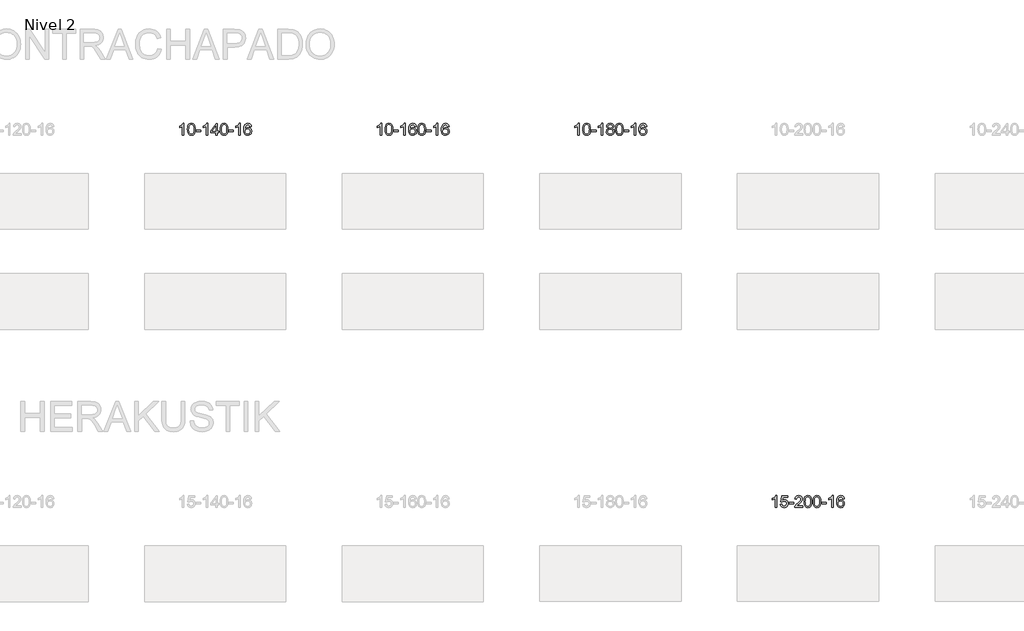
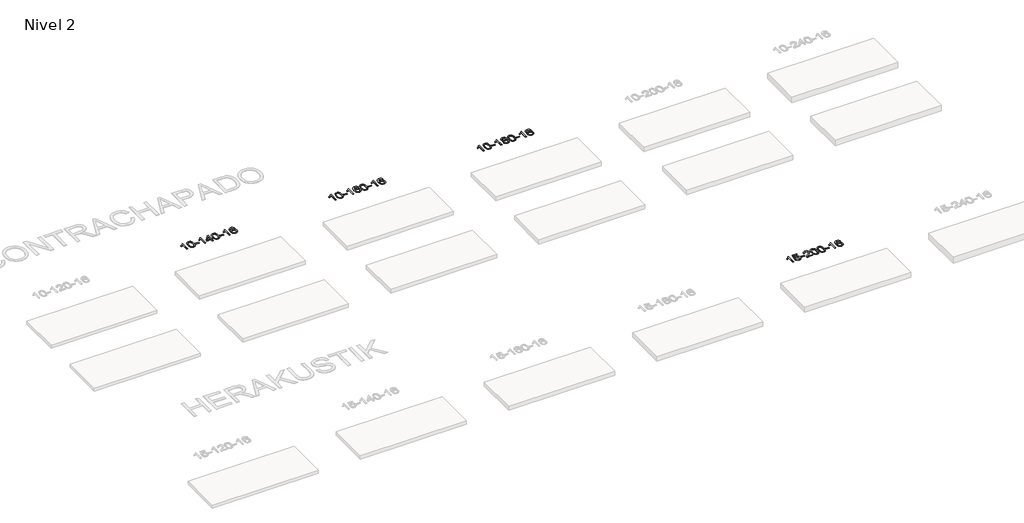
# One storey, part 37 of 51: 4 proxies.
"""IFC4 building model written with IfcOpenShell, lengths in millimetres."""

from ifc_helpers import new_model, si_unit, frame, origin, place, context, project, spatial, polyline, outline, extrude, element, save

model = new_model("IFC4")

# Units and contexts
model_context = context("Model", 3, world=origin())
ifc_project = project(units=[si_unit("LENGTHUNIT", "METRE", prefix="MILLI")], contexts=[model_context])

# Site, building, storey
site = spatial("IfcSite", under=ifc_project)
building = spatial("IfcBuilding", under=site)
storey = spatial("IfcBuildingStorey", under=building, Name="Nivel 2", Elevation=3000.0)

# Proxies
placement = place(None, origin())
element("IfcBuildingElementProxy", 1, Name="Texto de modelo 1", ObjectType="Texto de modelo 1", at=placement, inside=storey, context=model_context, shape_type="SweptSolid", body=[
    extrude(outline(polyline([(31530.5538842, -64430.3053468), (31480.3257291, -64430.3053468), (31480.3257291, -64117.1641925), (31459.3564554, -64134.1235525), (31432.7463244, -64151.058387), (31379.869419, -64176.4177192), (31379.869419, -64128.9364164), (31419.3186316, -64107.4766333), (31453.494869, -64081.9456229), (31480.4360937, -64054.7959316), (31498.1802686, -64028.4801062), (31530.5538842, -64028.4801062), (31530.5538842, -64430.3053468)])), frame((0.0, 0.0, 3000.0), z_axis=(0.0, 0.0, 1.0), x_axis=(1.0, 0.0, 0.0)), (0.0, 0.0, 1.0), 10.0),
    extrude(outline(polyline([(31649.8457525, -64232.6300881), (31653.5368352, -64168.3120526), (31664.6100833, -64117.0170397), (31682.9551321, -64077.9602346), (31694.8131951, -64062.7268543), (31708.4616171, -64050.3568222), (31723.9463834, -64040.785759), (31741.3134792, -64033.9492852), (31781.6946596, -64028.4801062), (31812.6457981, -64031.7174678), (31840.3595751, -64041.4295525), (31863.5361408, -64057.2362155), (31880.8756455, -64078.7573122), (31893.9722445, -64105.8089016), (31904.4200932, -64138.2070427), (31911.2626983, -64179.3485125), (31913.5435667, -64232.6300881), (31909.8892722, -64296.5802416), (31898.9263887, -64347.7526271), (31880.6917045, -64386.8462205), (31868.8612327, -64402.125586), (31855.2220077, -64414.5599974), (31839.7188473, -64424.19544), (31822.2965691, -64431.077899), (31781.6946596, -64436.5838662), (31754.0299335, -64434.1926333), (31729.5044672, -64427.0189343), (31708.1182606, -64415.0627695), (31689.8713136, -64398.3241387), (31672.3601306, -64368.0658446), (31659.8521428, -64330.3640715), (31652.3473501, -64285.2188193), (31649.8457525, -64232.6300881)]), holes=[polyline([(31700.0739076, -64232.5319862), (31701.5454356, -64276.1965134), (31705.9600195, -64311.5407761), (31713.3176594, -64338.5647743), (31723.6183553, -64357.2685081), (31736.0772922, -64369.9941594), (31749.9096552, -64379.0839104), (31765.1154443, -64384.537761), (31781.6946596, -64386.3557111), (31798.2738748, -64384.5316296), (31813.479664, -64379.0593849), (31827.312027, -64369.9389771), (31839.7709639, -64357.1704062), (31850.0716598, -64338.4360156), (31857.4292997, -64311.4181487), (31861.8438836, -64276.1168056), (31863.3154116, -64232.5319862), (31861.8929345, -64190.0232217), (31857.6255034, -64155.3012927), (31850.5131181, -64128.3661993), (31840.5557788, -64109.2179414), (31828.3053084, -64095.8699564), (31814.3135298, -64086.3356813), (31798.5804432, -64080.6151163), (31781.1060484, -64078.7082613), (31764.6126723, -64080.3882558), (31749.6644005, -64085.4282391), (31736.2612332, -64093.8282113), (31724.4031702, -64105.5881724), (31713.7591178, -64126.4348188), (31706.1562232, -64154.5410033), (31701.5944865, -64189.9067257), (31700.0739076, -64232.5319862)])]), frame((0.0, 0.0, 3000.0), z_axis=(0.0, 0.0, 1.0), x_axis=(1.0, 0.0, 0.0)), (0.0, 0.0, 1.0), 10.0),
    extrude(outline(polyline([(31944.9361636, -64311.0134785), (31944.9361636, -64260.7853235), (32101.8991482, -64260.7853235), (32101.8991482, -64311.0134785), (31944.9361636, -64311.0134785)])), frame((0.0, 0.0, 3000.0), z_axis=(0.0, 0.0, 1.0), x_axis=(1.0, 0.0, 0.0)), (0.0, 0.0, 1.0), 10.0),
    extrude(outline(polyline([(32334.2043654, -64430.3053468), (32283.9762103, -64430.3053468), (32283.9762103, -64117.1641925), (32263.0069366, -64134.1235525), (32236.3968056, -64151.058387), (32183.5199002, -64176.4177192), (32183.5199002, -64128.9364164), (32222.9691128, -64107.4766333), (32257.1453502, -64081.9456229), (32284.0865749, -64054.7959316), (32301.8307498, -64028.4801062), (32334.2043654, -64028.4801062), (32334.2043654, -64430.3053468)])), frame((0.0, 0.0, 3000.0), z_axis=(0.0, 0.0, 1.0), x_axis=(1.0, 0.0, 0.0)), (0.0, 0.0, 1.0), 10.0),
    extrude(outline(polyline([(32616.7377377, -64430.3053468), (32616.7377377, -64336.1275561), (32434.6606756, -64336.1275561), (32434.6606756, -64285.899401), (32629.2947765, -64034.7586256), (32666.9658928, -64034.7586256), (32666.9658928, -64285.899401), (32717.1940479, -64285.899401), (32717.1940479, -64336.1275561), (32666.9658928, -64336.1275561), (32666.9658928, -64430.3053468), (32616.7377377, -64430.3053468)]), holes=[polyline([(32616.7377377, -64285.899401), (32616.7377377, -64130.70225), (32496.4648507, -64285.899401), (32616.7377377, -64285.899401)])]), frame((0.0, 0.0, 3000.0), z_axis=(0.0, 0.0, 1.0), x_axis=(1.0, 0.0, 0.0)), (0.0, 0.0, 1.0), 10.0),
    extrude(outline(polyline([(32761.1436835, -64232.6300881), (32764.8347662, -64168.3120526), (32775.9080143, -64117.0170397), (32794.2530631, -64077.9602346), (32806.1111261, -64062.7268543), (32819.7595481, -64050.3568222), (32835.2443144, -64040.785759), (32852.6114103, -64033.9492852), (32892.9925906, -64028.4801062), (32923.9437291, -64031.7174678), (32951.6575061, -64041.4295525), (32974.8340718, -64057.2362155), (32992.1735765, -64078.7573122), (33005.2701755, -64105.8089016), (33015.7180242, -64138.2070427), (33022.5606293, -64179.3485125), (33024.8414977, -64232.6300881), (33021.1872032, -64296.5802416), (33010.2243197, -64347.7526271), (32991.9896355, -64386.8462205), (32980.1591637, -64402.125586), (32966.5199387, -64414.5599974), (32951.0167783, -64424.19544), (32933.5945001, -64431.077899), (32892.9925906, -64436.5838662), (32865.3278646, -64434.1926333), (32840.8023982, -64427.0189343), (32819.4161916, -64415.0627695), (32801.1692446, -64398.3241387), (32783.6580616, -64368.0658446), (32771.1500738, -64330.3640715), (32763.6452811, -64285.2188193), (32761.1436835, -64232.6300881)]), holes=[polyline([(32811.3718386, -64232.5319862), (32812.8433666, -64276.1965134), (32817.2579505, -64311.5407761), (32824.6155904, -64338.5647743), (32834.9162863, -64357.2685081), (32847.3752232, -64369.9941594), (32861.2075862, -64379.0839104), (32876.4133754, -64384.537761), (32892.9925906, -64386.3557111), (32909.5718059, -64384.5316296), (32924.777595, -64379.0593849), (32938.609958, -64369.9389771), (32951.0688949, -64357.1704062), (32961.3695908, -64338.4360156), (32968.7272307, -64311.4181487), (32973.1418146, -64276.1168056), (32974.6133426, -64232.5319862), (32973.1908656, -64190.0232217), (32968.9234344, -64155.3012927), (32961.8110492, -64128.3661993), (32951.8537098, -64109.2179414), (32939.6032394, -64095.8699564), (32925.6114609, -64086.3356813), (32909.8783742, -64080.6151163), (32892.4039794, -64078.7082613), (32875.9106033, -64080.3882558), (32860.9623316, -64085.4282391), (32847.5591642, -64093.8282113), (32835.7011012, -64105.5881724), (32825.0570488, -64126.4348188), (32817.4541543, -64154.5410033), (32812.8924175, -64189.9067257), (32811.3718386, -64232.5319862)])]), frame((0.0, 0.0, 3000.0), z_axis=(0.0, 0.0, 1.0), x_axis=(1.0, 0.0, 0.0)), (0.0, 0.0, 1.0), 10.0),
    extrude(outline(polyline([(33056.2340946, -64311.0134785), (33056.2340946, -64260.7853235), (33213.1970792, -64260.7853235), (33213.1970792, -64311.0134785), (33056.2340946, -64311.0134785)])), frame((0.0, 0.0, 3000.0), z_axis=(0.0, 0.0, 1.0), x_axis=(1.0, 0.0, 0.0)), (0.0, 0.0, 1.0), 10.0),
    extrude(outline(polyline([(33445.5022964, -64430.3053468), (33395.2741414, -64430.3053468), (33395.2741414, -64117.1641925), (33374.3048676, -64134.1235525), (33347.6947367, -64151.058387), (33294.8178312, -64176.4177192), (33294.8178312, -64128.9364164), (33334.2670438, -64107.4766333), (33368.4432812, -64081.9456229), (33395.384506, -64054.7959316), (33413.1286809, -64028.4801062), (33445.5022964, -64028.4801062), (33445.5022964, -64430.3053468)])), frame((0.0, 0.0, 3000.0), z_axis=(0.0, 0.0, 1.0), x_axis=(1.0, 0.0, 0.0)), (0.0, 0.0, 1.0), 10.0),
    extrude(outline(polyline([(33822.2134595, -64135.2149358), (33771.9853044, -64141.4934552), (33763.8919005, -64116.6001068), (33752.9535425, -64099.6039586), (33730.1693843, -64083.9321856), (33702.6272856, -64078.7082613), (33679.2790416, -64081.7494191), (33657.3042238, -64090.8728926), (33638.4318774, -64110.0885955), (33623.0176218, -64136.539311), (33612.6065614, -64173.9529099), (33608.7438004, -64226.0572631), (33628.891471, -64202.5496036), (33653.0367927, -64185.9826511), (33679.8308646, -64176.1602018), (33707.9247863, -64172.8860521), (33732.0578452, -64175.1240009), (33754.3269687, -64181.8378473), (33774.7321567, -64193.0275913), (33793.2734092, -64208.6932329), (33808.6815334, -64227.9028045), (33819.6873365, -64249.7243381), (33826.2908183, -64274.157834), (33828.4919789, -64301.203292), (33824.3471751, -64337.1698884), (33811.9127636, -64370.5122599), (33792.2188142, -64398.7901226), (33766.2953962, -64419.5631926), (33735.3197322, -64432.3286978), (33700.4690446, -64436.5838662), (33670.5265158, -64433.7634376), (33643.4841235, -64425.3021517), (33619.3418676, -64411.2000086), (33598.099748, -64391.4570081), (33580.7817031, -64365.2392846), (33568.411671, -64331.7129721), (33560.9896518, -64290.8780707), (33558.5156454, -64242.7345802), (33561.2624976, -64188.7601602), (33569.5030543, -64142.695203), (33583.2373154, -64104.5397087), (33602.465281, -64074.2936774), (33623.3057961, -64054.25024), (33647.4695118, -64039.933499), (33674.9564282, -64031.3434544), (33705.7665453, -64028.4801062), (33728.9001914, -64030.2520712), (33749.8388083, -64035.567966), (33768.582396, -64044.4277907), (33785.1309544, -64056.8315453), (33799.0368938, -64072.3622969), (33809.8526245, -64090.6031125), (33817.5781464, -64111.5539921), (33822.2134595, -64135.2149358)]), holes=[polyline([(33608.7438004, -64300.4184771), (33611.6500682, -64322.6753378), (33620.3688715, -64343.9266544), (33633.9069289, -64362.1981268), (33651.2709591, -64375.515455), (33672.2279701, -64383.6456471), (33696.5449699, -64386.3557111), (33729.6911377, -64380.7393794), (33743.6062742, -64373.7189646), (33755.7494457, -64363.890384), (33765.5994861, -64351.6521763), (33772.6352293, -64337.4028803), (33778.2638238, -64302.8710237), (33772.7088057, -64269.7248559), (33765.765033, -64256.1040251), (33756.0437513, -64244.4513629), (33743.8637916, -64235.1163572), (33729.5439849, -64228.4484961), (33694.4848308, -64223.1142072), (33661.3877139, -64228.4484961), (33633.7107252, -64244.4513629), (33622.7876956, -64255.9507409), (33614.9855316, -64269.1117193), (33610.3042332, -64283.934298), (33608.7438004, -64300.4184771)])]), frame((0.0, 0.0, 3000.0), z_axis=(0.0, 0.0, 1.0), x_axis=(1.0, 0.0, 0.0)), (0.0, 0.0, 1.0), 10.0),
])
element("IfcBuildingElementProxy", 2, Name="Texto de modelo 1", ObjectType="Texto de modelo 1", at=placement, inside=storey, context=model_context, shape_type="SweptSolid", body=[
    extrude(outline(polyline([(38245.494419, -64430.3053468), (38195.266264, -64430.3053468), (38195.266264, -64117.1641925), (38174.2969902, -64134.1235525), (38147.6868593, -64151.058387), (38094.8099538, -64176.4177192), (38094.8099538, -64128.9364164), (38134.2591664, -64107.4766333), (38168.4354038, -64081.9456229), (38195.3766286, -64054.7959316), (38213.1208035, -64028.4801062), (38245.494419, -64028.4801062), (38245.494419, -64430.3053468)])), frame((0.0, 0.0, 3000.0), z_axis=(0.0, 0.0, 1.0), x_axis=(1.0, 0.0, 0.0)), (0.0, 0.0, 1.0), 10.0),
    extrude(outline(polyline([(38364.7862873, -64232.6300881), (38368.47737, -64168.3120526), (38379.5506181, -64117.0170397), (38397.8956669, -64077.9602346), (38409.7537299, -64062.7268543), (38423.4021519, -64050.3568222), (38438.8869182, -64040.785759), (38456.2540141, -64033.9492852), (38496.6351944, -64028.4801062), (38527.5863329, -64031.7174678), (38555.3001099, -64041.4295525), (38578.4766756, -64057.2362155), (38595.8161803, -64078.7573122), (38608.9127793, -64105.8089016), (38619.360628, -64138.2070427), (38626.2032331, -64179.3485125), (38628.4841015, -64232.6300881), (38624.829807, -64296.5802416), (38613.8669235, -64347.7526271), (38595.6322393, -64386.8462205), (38583.8017675, -64402.125586), (38570.1625425, -64414.5599974), (38554.6593821, -64424.19544), (38537.2371039, -64431.077899), (38496.6351944, -64436.5838662), (38468.9704684, -64434.1926333), (38444.445002, -64427.0189343), (38423.0587954, -64415.0627695), (38404.8118484, -64398.3241387), (38387.3006654, -64368.0658446), (38374.7926776, -64330.3640715), (38367.2878849, -64285.2188193), (38364.7862873, -64232.6300881)]), holes=[polyline([(38415.0144424, -64232.5319862), (38416.4859704, -64276.1965134), (38420.9005543, -64311.5407761), (38428.2581942, -64338.5647743), (38438.5588901, -64357.2685081), (38451.017827, -64369.9941594), (38464.85019, -64379.0839104), (38480.0559792, -64384.537761), (38496.6351944, -64386.3557111), (38513.2144097, -64384.5316296), (38528.4201988, -64379.0593849), (38542.2525618, -64369.9389771), (38554.7114987, -64357.1704062), (38565.0121946, -64338.4360156), (38572.3698345, -64311.4181487), (38576.7844184, -64276.1168056), (38578.2559464, -64232.5319862), (38576.8334694, -64190.0232217), (38572.5660382, -64155.3012927), (38565.453653, -64128.3661993), (38555.4963136, -64109.2179414), (38543.2458432, -64095.8699564), (38529.2540646, -64086.3356813), (38513.520978, -64080.6151163), (38496.0465832, -64078.7082613), (38479.5532071, -64080.3882558), (38464.6049354, -64085.4282391), (38451.201768, -64093.8282113), (38439.343705, -64105.5881724), (38428.6996526, -64126.4348188), (38421.0967581, -64154.5410033), (38416.5350213, -64189.9067257), (38415.0144424, -64232.5319862)])]), frame((0.0, 0.0, 3000.0), z_axis=(0.0, 0.0, 1.0), x_axis=(1.0, 0.0, 0.0)), (0.0, 0.0, 1.0), 10.0),
    extrude(outline(polyline([(38659.8766984, -64311.0134785), (38659.8766984, -64260.7853235), (38816.839683, -64260.7853235), (38816.839683, -64311.0134785), (38659.8766984, -64311.0134785)])), frame((0.0, 0.0, 3000.0), z_axis=(0.0, 0.0, 1.0), x_axis=(1.0, 0.0, 0.0)), (0.0, 0.0, 1.0), 10.0),
    extrude(outline(polyline([(39049.1449002, -64430.3053468), (38998.9167452, -64430.3053468), (38998.9167452, -64117.1641925), (38977.9474714, -64134.1235525), (38951.3373404, -64151.058387), (38898.460435, -64176.4177192), (38898.460435, -64128.9364164), (38937.9096476, -64107.4766333), (38972.085885, -64081.9456229), (38999.0271098, -64054.7959316), (39016.7712847, -64028.4801062), (39049.1449002, -64028.4801062), (39049.1449002, -64430.3053468)])), frame((0.0, 0.0, 3000.0), z_axis=(0.0, 0.0, 1.0), x_axis=(1.0, 0.0, 0.0)), (0.0, 0.0, 1.0), 10.0),
    extrude(outline(polyline([(39425.8560633, -64135.2149358), (39375.6279082, -64141.4934552), (39367.5345043, -64116.6001068), (39356.5961463, -64099.6039586), (39333.8119881, -64083.9321856), (39306.2698894, -64078.7082613), (39282.9216454, -64081.7494191), (39260.9468276, -64090.8728926), (39242.0744812, -64110.0885955), (39226.6602256, -64136.539311), (39216.2491652, -64173.9529099), (39212.3864042, -64226.0572631), (39232.5340748, -64202.5496036), (39256.6793964, -64185.9826511), (39283.4734684, -64176.1602018), (39311.5673901, -64172.8860521), (39335.700449, -64175.1240009), (39357.9695725, -64181.8378473), (39378.3747604, -64193.0275913), (39396.916013, -64208.6932329), (39412.3241372, -64227.9028045), (39423.3299403, -64249.7243381), (39429.9334221, -64274.157834), (39432.1345827, -64301.203292), (39427.9897789, -64337.1698884), (39415.5553674, -64370.5122599), (39395.861418, -64398.7901226), (39369.938, -64419.5631926), (39338.962336, -64432.3286978), (39304.1116484, -64436.5838662), (39274.1691196, -64433.7634376), (39247.1267273, -64425.3021517), (39222.9844714, -64411.2000086), (39201.7423518, -64391.4570081), (39184.4243069, -64365.2392846), (39172.0542748, -64331.7129721), (39164.6322556, -64290.8780707), (39162.1582492, -64242.7345802), (39164.9051014, -64188.7601602), (39173.1456581, -64142.695203), (39186.8799192, -64104.5397087), (39206.1078848, -64074.2936774), (39226.9483999, -64054.25024), (39251.1121156, -64039.933499), (39278.599032, -64031.3434544), (39309.4091491, -64028.4801062), (39332.5427952, -64030.2520712), (39353.4814121, -64035.567966), (39372.2249998, -64044.4277907), (39388.7735582, -64056.8315453), (39402.6794976, -64072.3622969), (39413.4952283, -64090.6031125), (39421.2207502, -64111.5539921), (39425.8560633, -64135.2149358)]), holes=[polyline([(39212.3864042, -64300.4184771), (39215.292672, -64322.6753378), (39224.0114753, -64343.9266544), (39237.5495327, -64362.1981268), (39254.9135629, -64375.515455), (39275.8705739, -64383.6456471), (39300.1875737, -64386.3557111), (39333.3337415, -64380.7393794), (39347.248878, -64373.7189646), (39359.3920495, -64363.890384), (39369.2420899, -64351.6521763), (39376.2778331, -64337.4028803), (39381.9064276, -64302.8710237), (39376.3514095, -64269.7248559), (39369.4076368, -64256.1040251), (39359.6863551, -64244.4513629), (39347.5063954, -64235.1163572), (39333.1865887, -64228.4484961), (39298.1274346, -64223.1142072), (39265.0303177, -64228.4484961), (39237.353329, -64244.4513629), (39226.4302994, -64255.9507409), (39218.6281354, -64269.1117193), (39213.946837, -64283.934298), (39212.3864042, -64300.4184771)])]), frame((0.0, 0.0, 3000.0), z_axis=(0.0, 0.0, 1.0), x_axis=(1.0, 0.0, 0.0)), (0.0, 0.0, 1.0), 10.0),
    extrude(outline(polyline([(39476.0842184, -64232.6300881), (39479.7753011, -64168.3120526), (39490.8485491, -64117.0170397), (39509.1935979, -64077.9602346), (39521.0516609, -64062.7268543), (39534.7000829, -64050.3568222), (39550.1848492, -64040.785759), (39567.5519451, -64033.9492852), (39607.9331254, -64028.4801062), (39638.884264, -64031.7174678), (39666.5980409, -64041.4295525), (39689.7746066, -64057.2362155), (39707.1141113, -64078.7573122), (39720.2107104, -64105.8089016), (39730.658559, -64138.2070427), (39737.5011641, -64179.3485125), (39739.7820325, -64232.6300881), (39736.127738, -64296.5802416), (39725.1648546, -64347.7526271), (39706.9301703, -64386.8462205), (39695.0996985, -64402.125586), (39681.4604735, -64414.5599974), (39665.9573131, -64424.19544), (39648.535035, -64431.077899), (39607.9331254, -64436.5838662), (39580.2683994, -64434.1926333), (39555.7429331, -64427.0189343), (39534.3567264, -64415.0627695), (39516.1097794, -64398.3241387), (39498.5985965, -64368.0658446), (39486.0906086, -64330.3640715), (39478.5858159, -64285.2188193), (39476.0842184, -64232.6300881)]), holes=[polyline([(39526.3123734, -64232.5319862), (39527.7839014, -64276.1965134), (39532.1984854, -64311.5407761), (39539.5561253, -64338.5647743), (39549.8568211, -64357.2685081), (39562.315758, -64369.9941594), (39576.1481211, -64379.0839104), (39591.3539102, -64384.537761), (39607.9331254, -64386.3557111), (39624.5123407, -64384.5316296), (39639.7181298, -64379.0593849), (39653.5504928, -64369.9389771), (39666.0094297, -64357.1704062), (39676.3101256, -64338.4360156), (39683.6677655, -64311.4181487), (39688.0823495, -64276.1168056), (39689.5538774, -64232.5319862), (39688.1314004, -64190.0232217), (39683.8639692, -64155.3012927), (39676.751584, -64128.3661993), (39666.7942447, -64109.2179414), (39654.5437742, -64095.8699564), (39640.5519957, -64086.3356813), (39624.818909, -64080.6151163), (39607.3445142, -64078.7082613), (39590.8511381, -64080.3882558), (39575.9028664, -64085.4282391), (39562.499699, -64093.8282113), (39550.6416361, -64105.5881724), (39539.9975837, -64126.4348188), (39532.3946891, -64154.5410033), (39527.8329524, -64189.9067257), (39526.3123734, -64232.5319862)])]), frame((0.0, 0.0, 3000.0), z_axis=(0.0, 0.0, 1.0), x_axis=(1.0, 0.0, 0.0)), (0.0, 0.0, 1.0), 10.0),
    extrude(outline(polyline([(39771.1746294, -64311.0134785), (39771.1746294, -64260.7853235), (39928.137614, -64260.7853235), (39928.137614, -64311.0134785), (39771.1746294, -64311.0134785)])), frame((0.0, 0.0, 3000.0), z_axis=(0.0, 0.0, 1.0), x_axis=(1.0, 0.0, 0.0)), (0.0, 0.0, 1.0), 10.0),
    extrude(outline(polyline([(40160.4428313, -64430.3053468), (40110.2146762, -64430.3053468), (40110.2146762, -64117.1641925), (40089.2454025, -64134.1235525), (40062.6352715, -64151.058387), (40009.758366, -64176.4177192), (40009.758366, -64128.9364164), (40049.2075787, -64107.4766333), (40083.383816, -64081.9456229), (40110.3250408, -64054.7959316), (40128.0692157, -64028.4801062), (40160.4428313, -64028.4801062), (40160.4428313, -64430.3053468)])), frame((0.0, 0.0, 3000.0), z_axis=(0.0, 0.0, 1.0), x_axis=(1.0, 0.0, 0.0)), (0.0, 0.0, 1.0), 10.0),
    extrude(outline(polyline([(40537.1539943, -64135.2149358), (40486.9258392, -64141.4934552), (40478.8324354, -64116.6001068), (40467.8940774, -64099.6039586), (40445.1099191, -64083.9321856), (40417.5678204, -64078.7082613), (40394.2195765, -64081.7494191), (40372.2447586, -64090.8728926), (40353.3724123, -64110.0885955), (40337.9581567, -64136.539311), (40327.5470962, -64173.9529099), (40323.6843353, -64226.0572631), (40343.8320059, -64202.5496036), (40367.9773275, -64185.9826511), (40394.7713995, -64176.1602018), (40422.8653212, -64172.8860521), (40446.99838, -64175.1240009), (40469.2675035, -64181.8378473), (40489.6726915, -64193.0275913), (40508.213944, -64208.6932329), (40523.6220683, -64227.9028045), (40534.6278713, -64249.7243381), (40541.2313531, -64274.157834), (40543.4325137, -64301.203292), (40539.2877099, -64337.1698884), (40526.8532985, -64370.5122599), (40507.159349, -64398.7901226), (40481.2359311, -64419.5631926), (40450.2602671, -64432.3286978), (40415.4095794, -64436.5838662), (40385.4670507, -64433.7634376), (40358.4246583, -64425.3021517), (40334.2824024, -64411.2000086), (40313.0402829, -64391.4570081), (40295.7222379, -64365.2392846), (40283.3522059, -64331.7129721), (40275.9301866, -64290.8780707), (40273.4561802, -64242.7345802), (40276.2030324, -64188.7601602), (40284.4435891, -64142.695203), (40298.1778503, -64104.5397087), (40317.4058159, -64074.2936774), (40338.2463309, -64054.25024), (40362.4100466, -64039.933499), (40389.896963, -64031.3434544), (40420.7070801, -64028.4801062), (40443.8407262, -64030.2520712), (40464.7793431, -64035.567966), (40483.5229308, -64044.4277907), (40500.0714892, -64056.8315453), (40513.9774286, -64072.3622969), (40524.7931593, -64090.6031125), (40532.5186812, -64111.5539921), (40537.1539943, -64135.2149358)]), holes=[polyline([(40323.6843353, -64300.4184771), (40326.590603, -64322.6753378), (40335.3094063, -64343.9266544), (40348.8474637, -64362.1981268), (40366.2114939, -64375.515455), (40387.1685049, -64383.6456471), (40411.4855048, -64386.3557111), (40444.6316725, -64380.7393794), (40458.546809, -64373.7189646), (40470.6899805, -64363.890384), (40480.5400209, -64351.6521763), (40487.5757641, -64337.4028803), (40493.2043586, -64302.8710237), (40487.6493405, -64269.7248559), (40480.7055678, -64256.1040251), (40470.9842861, -64244.4513629), (40458.8043264, -64235.1163572), (40444.4845197, -64228.4484961), (40409.4253656, -64223.1142072), (40376.3282488, -64228.4484961), (40348.65126, -64244.4513629), (40337.7282304, -64255.9507409), (40329.9260664, -64269.1117193), (40325.2447681, -64283.934298), (40323.6843353, -64300.4184771)])]), frame((0.0, 0.0, 3000.0), z_axis=(0.0, 0.0, 1.0), x_axis=(1.0, 0.0, 0.0)), (0.0, 0.0, 1.0), 10.0),
])
element("IfcBuildingElementProxy", 3, Name="Texto de modelo 1", ObjectType="Texto de modelo 1", at=placement, inside=storey, context=model_context, shape_type="SweptSolid", body=[
    extrude(outline(polyline([(44960.4349539, -64430.3053468), (44910.2067988, -64430.3053468), (44910.2067988, -64117.1641925), (44889.2375251, -64134.1235525), (44862.6273941, -64151.058387), (44809.7504886, -64176.4177192), (44809.7504886, -64128.9364164), (44849.1997013, -64107.4766333), (44883.3759386, -64081.9456229), (44910.3171634, -64054.7959316), (44928.0613383, -64028.4801062), (44960.4349539, -64028.4801062), (44960.4349539, -64430.3053468)])), frame((0.0, 0.0, 3000.0), z_axis=(0.0, 0.0, 1.0), x_axis=(1.0, 0.0, 0.0)), (0.0, 0.0, 1.0), 10.0),
    extrude(outline(polyline([(45079.7268222, -64232.6300881), (45083.4179048, -64168.3120526), (45094.4911529, -64117.0170397), (45112.8362017, -64077.9602346), (45124.6942647, -64062.7268543), (45138.3426867, -64050.3568222), (45153.827453, -64040.785759), (45171.1945489, -64033.9492852), (45211.5757292, -64028.4801062), (45242.5268678, -64031.7174678), (45270.2406447, -64041.4295525), (45293.4172104, -64057.2362155), (45310.7567151, -64078.7573122), (45323.8533142, -64105.8089016), (45334.3011628, -64138.2070427), (45341.1437679, -64179.3485125), (45343.4246363, -64232.6300881), (45339.7703418, -64296.5802416), (45328.8074584, -64347.7526271), (45310.5727741, -64386.8462205), (45298.7423023, -64402.125586), (45285.1030773, -64414.5599974), (45269.5999169, -64424.19544), (45252.1776388, -64431.077899), (45211.5757292, -64436.5838662), (45183.9110032, -64434.1926333), (45159.3855369, -64427.0189343), (45137.9993302, -64415.0627695), (45119.7523832, -64398.3241387), (45102.2412003, -64368.0658446), (45089.7332124, -64330.3640715), (45082.2284197, -64285.2188193), (45079.7268222, -64232.6300881)]), holes=[polyline([(45129.9549772, -64232.5319862), (45131.4265052, -64276.1965134), (45135.8410892, -64311.5407761), (45143.1987291, -64338.5647743), (45153.4994249, -64357.2685081), (45165.9583618, -64369.9941594), (45179.7907249, -64379.0839104), (45194.996514, -64384.537761), (45211.5757292, -64386.3557111), (45228.1549445, -64384.5316296), (45243.3607336, -64379.0593849), (45257.1930966, -64369.9389771), (45269.6520335, -64357.1704062), (45279.9527294, -64338.4360156), (45287.3103693, -64311.4181487), (45291.7249532, -64276.1168056), (45293.1964812, -64232.5319862), (45291.7740042, -64190.0232217), (45287.506573, -64155.3012927), (45280.3941878, -64128.3661993), (45270.4368485, -64109.2179414), (45258.186378, -64095.8699564), (45244.1945995, -64086.3356813), (45228.4615128, -64080.6151163), (45210.987118, -64078.7082613), (45194.4937419, -64080.3882558), (45179.5454702, -64085.4282391), (45166.1423028, -64093.8282113), (45154.2842399, -64105.5881724), (45143.6401875, -64126.4348188), (45136.0372929, -64154.5410033), (45131.4755562, -64189.9067257), (45129.9549772, -64232.5319862)])]), frame((0.0, 0.0, 3000.0), z_axis=(0.0, 0.0, 1.0), x_axis=(1.0, 0.0, 0.0)), (0.0, 0.0, 1.0), 10.0),
    extrude(outline(polyline([(45374.8172332, -64311.0134785), (45374.8172332, -64260.7853235), (45531.7802178, -64260.7853235), (45531.7802178, -64311.0134785), (45374.8172332, -64311.0134785)])), frame((0.0, 0.0, 3000.0), z_axis=(0.0, 0.0, 1.0), x_axis=(1.0, 0.0, 0.0)), (0.0, 0.0, 1.0), 10.0),
    extrude(outline(polyline([(45764.0854351, -64430.3053468), (45713.85728, -64430.3053468), (45713.85728, -64117.1641925), (45692.8880063, -64134.1235525), (45666.2778753, -64151.058387), (45613.4009698, -64176.4177192), (45613.4009698, -64128.9364164), (45652.8501824, -64107.4766333), (45687.0264198, -64081.9456229), (45713.9676446, -64054.7959316), (45731.7118195, -64028.4801062), (45764.0854351, -64028.4801062), (45764.0854351, -64430.3053468)])), frame((0.0, 0.0, 3000.0), z_axis=(0.0, 0.0, 1.0), x_axis=(1.0, 0.0, 0.0)), (0.0, 0.0, 1.0), 10.0),
    extrude(outline(polyline([(45956.5612949, -64208.9875385), (45929.6691211, -64195.7437867), (45910.7967747, -64177.7911453), (45899.6499503, -64155.4974964), (45895.9343421, -64129.230722), (45897.9576931, -64108.7458262), (45904.027746, -64089.9654504), (45914.1445009, -64072.8895944), (45928.3079577, -64057.5182584), (45945.8375348, -64044.8140668), (45966.0526504, -64035.7396443), (45988.9533046, -64030.2949907), (46014.5394974, -64028.4801062), (46040.2483175, -64030.3379103), (46063.3206499, -64035.9113225), (46083.7564948, -64045.2003429), (46101.555852, -64058.2049714), (46115.9768262, -64073.8767444), (46126.277522, -64091.1671982), (46132.4579396, -64110.0763328), (46134.5180787, -64130.6041481), (46130.8515215, -64156.024794), (46119.8518499, -64177.9382981), (46101.3964364, -64195.7805749), (46075.3626539, -64208.9875385), (46106.2770042, -64224.9168289), (46128.7791196, -64248.3754375), (46142.501118, -64278.2351928), (46147.0751175, -64313.3679233), (46144.8065119, -64338.4206872), (46138.000695, -64361.3887864), (46126.6576668, -64382.272221), (46110.7774273, -64401.070991), (46091.1938424, -64416.6078739), (46068.740778, -64427.7056474), (46043.418234, -64434.3643115), (46015.2262104, -64436.5838662), (45987.0341869, -64434.3551145), (45961.7116429, -64427.6688592), (45939.2585784, -64416.5251004), (45919.6749936, -64400.9238382), (45903.7947541, -64381.9932438), (45892.4517259, -64360.8614889), (45885.645909, -64337.5285733), (45883.3773034, -64311.9944972), (45888.1352438, -64275.5006033), (45902.4090652, -64245.4814325), (45925.4630036, -64222.9670544), (45956.5612949, -64208.9875385)]), holes=[polyline([(45946.1624972, -64130.70225), (45950.6138693, -64152.6280169), (45963.9679858, -64170.1391998), (45985.832439, -64181.6171181), (46015.8148216, -64185.4430908), (46045.0982284, -64181.6416436), (46066.6315879, -64170.2373017), (46079.8753397, -64153.3147299), (46084.2899237, -64132.9585929), (46079.7281869, -64111.8299036), (46066.0429767, -64094.3555088), (46044.2153117, -64082.6200732), (46015.2262104, -64078.7082613), (45986.0531682, -64082.5342341), (45964.2622914, -64094.0121523), (45950.6874457, -64110.8366222), (45946.1624972, -64130.70225)]), polyline([(45933.6054584, -64310.2286636), (45935.7023858, -64329.4443665), (45941.9931679, -64348.0469327), (45953.6059762, -64364.2705287), (45971.6689822, -64376.3493209), (45993.3004435, -64383.8541136), (46015.6186179, -64386.3557111), (46049.807118, -64381.0949986), (46063.7007947, -64374.519108), (46075.4607558, -64365.312861), (46091.5004108, -64341.4127941), (46096.8469624, -64311.7982935), (46091.3287325, -64281.6810208), (46074.7740427, -64257.2536563), (46062.6952505, -64247.8113518), (46048.5317937, -64241.0668485), (46013.9508862, -64235.6712459), (45980.2406327, -64240.9932721), (45966.5033059, -64247.6458049), (45954.8445123, -64256.9593507), (45938.9152219, -64280.9207313), (45933.6054584, -64310.2286636)])]), frame((0.0, 0.0, 3000.0), z_axis=(0.0, 0.0, 1.0), x_axis=(1.0, 0.0, 0.0)), (0.0, 0.0, 1.0), 10.0),
    extrude(outline(polyline([(46191.0247532, -64232.6300881), (46194.7158359, -64168.3120526), (46205.7890839, -64117.0170397), (46224.1341328, -64077.9602346), (46235.9921957, -64062.7268543), (46249.6406178, -64050.3568222), (46265.1253841, -64040.785759), (46282.4924799, -64033.9492852), (46322.8736603, -64028.4801062), (46353.8247988, -64031.7174678), (46381.5385758, -64041.4295525), (46404.7151415, -64057.2362155), (46422.0546462, -64078.7573122), (46435.1512452, -64105.8089016), (46445.5990939, -64138.2070427), (46452.441699, -64179.3485125), (46454.7225673, -64232.6300881), (46451.0682729, -64296.5802416), (46440.1053894, -64347.7526271), (46421.8707052, -64386.8462205), (46410.0402333, -64402.125586), (46396.4010084, -64414.5599974), (46380.897848, -64424.19544), (46363.4755698, -64431.077899), (46322.8736603, -64436.5838662), (46295.2089342, -64434.1926333), (46270.6834679, -64427.0189343), (46249.2972612, -64415.0627695), (46231.0503143, -64398.3241387), (46213.5391313, -64368.0658446), (46201.0311435, -64330.3640715), (46193.5263508, -64285.2188193), (46191.0247532, -64232.6300881)]), holes=[polyline([(46241.2529083, -64232.5319862), (46242.7244362, -64276.1965134), (46247.1390202, -64311.5407761), (46254.4966601, -64338.5647743), (46264.797356, -64357.2685081), (46277.2562929, -64369.9941594), (46291.0886559, -64379.0839104), (46306.294445, -64384.537761), (46322.8736603, -64386.3557111), (46339.4528755, -64384.5316296), (46354.6586646, -64379.0593849), (46368.4910277, -64369.9389771), (46380.9499646, -64357.1704062), (46391.2506604, -64338.4360156), (46398.6083003, -64311.4181487), (46403.0228843, -64276.1168056), (46404.4944123, -64232.5319862), (46403.0719352, -64190.0232217), (46398.8045041, -64155.3012927), (46391.6921188, -64128.3661993), (46381.7347795, -64109.2179414), (46369.4843091, -64095.8699564), (46355.4925305, -64086.3356813), (46339.7594438, -64080.6151163), (46322.2850491, -64078.7082613), (46305.791673, -64080.3882558), (46290.8434012, -64085.4282391), (46277.4402339, -64093.8282113), (46265.5821709, -64105.5881724), (46254.9381185, -64126.4348188), (46247.3352239, -64154.5410033), (46242.7734872, -64189.9067257), (46241.2529083, -64232.5319862)])]), frame((0.0, 0.0, 3000.0), z_axis=(0.0, 0.0, 1.0), x_axis=(1.0, 0.0, 0.0)), (0.0, 0.0, 1.0), 10.0),
    extrude(outline(polyline([(46486.1151643, -64311.0134785), (46486.1151643, -64260.7853235), (46643.0781489, -64260.7853235), (46643.0781489, -64311.0134785), (46486.1151643, -64311.0134785)])), frame((0.0, 0.0, 3000.0), z_axis=(0.0, 0.0, 1.0), x_axis=(1.0, 0.0, 0.0)), (0.0, 0.0, 1.0), 10.0),
    extrude(outline(polyline([(46875.3833661, -64430.3053468), (46825.155211, -64430.3053468), (46825.155211, -64117.1641925), (46804.1859373, -64134.1235525), (46777.5758063, -64151.058387), (46724.6989009, -64176.4177192), (46724.6989009, -64128.9364164), (46764.1481135, -64107.4766333), (46798.3243508, -64081.9456229), (46825.2655756, -64054.7959316), (46843.0097505, -64028.4801062), (46875.3833661, -64028.4801062), (46875.3833661, -64430.3053468)])), frame((0.0, 0.0, 3000.0), z_axis=(0.0, 0.0, 1.0), x_axis=(1.0, 0.0, 0.0)), (0.0, 0.0, 1.0), 10.0),
    extrude(outline(polyline([(47252.0945291, -64135.2149358), (47201.8663741, -64141.4934552), (47193.7729702, -64116.6001068), (47182.8346122, -64099.6039586), (47160.050454, -64083.9321856), (47132.5083552, -64078.7082613), (47109.1601113, -64081.7494191), (47087.1852934, -64090.8728926), (47068.3129471, -64110.0885955), (47052.8986915, -64136.539311), (47042.487631, -64173.9529099), (47038.6248701, -64226.0572631), (47058.7725407, -64202.5496036), (47082.9178623, -64185.9826511), (47109.7119343, -64176.1602018), (47137.805856, -64172.8860521), (47161.9389149, -64175.1240009), (47184.2080383, -64181.8378473), (47204.6132263, -64193.0275913), (47223.1544789, -64208.6932329), (47238.5626031, -64227.9028045), (47249.5684061, -64249.7243381), (47256.1718879, -64274.157834), (47258.3730485, -64301.203292), (47254.2282447, -64337.1698884), (47241.7938333, -64370.5122599), (47222.0998838, -64398.7901226), (47196.1764659, -64419.5631926), (47165.2008019, -64432.3286978), (47130.3501142, -64436.5838662), (47100.4075855, -64433.7634376), (47073.3651932, -64425.3021517), (47049.2229372, -64411.2000086), (47027.9808177, -64391.4570081), (47010.6627728, -64365.2392846), (46998.2927407, -64331.7129721), (46990.8707214, -64290.8780707), (46988.396715, -64242.7345802), (46991.1435672, -64188.7601602), (46999.3841239, -64142.695203), (47013.1183851, -64104.5397087), (47032.3463507, -64074.2936774), (47053.1868657, -64054.25024), (47077.3505814, -64039.933499), (47104.8374978, -64031.3434544), (47135.6476149, -64028.4801062), (47158.7812611, -64030.2520712), (47179.719878, -64035.567966), (47198.4634656, -64044.4277907), (47215.012024, -64056.8315453), (47228.9179635, -64072.3622969), (47239.7336941, -64090.6031125), (47247.459216, -64111.5539921), (47252.0945291, -64135.2149358)]), holes=[polyline([(47038.6248701, -64300.4184771), (47041.5311378, -64322.6753378), (47050.2499411, -64343.9266544), (47063.7879986, -64362.1981268), (47081.1520287, -64375.515455), (47102.1090397, -64383.6456471), (47126.4260396, -64386.3557111), (47159.5722074, -64380.7393794), (47173.4873438, -64373.7189646), (47185.6305154, -64363.890384), (47195.4805558, -64351.6521763), (47202.5162989, -64337.4028803), (47208.1448935, -64302.8710237), (47202.5898753, -64269.7248559), (47195.6461027, -64256.1040251), (47185.9248209, -64244.4513629), (47173.7448612, -64235.1163572), (47159.4250546, -64228.4484961), (47124.3659004, -64223.1142072), (47091.2687836, -64228.4484961), (47063.5917948, -64244.4513629), (47052.6687652, -64255.9507409), (47044.8666013, -64269.1117193), (47040.1853029, -64283.934298), (47038.6248701, -64300.4184771)])]), frame((0.0, 0.0, 3000.0), z_axis=(0.0, 0.0, 1.0), x_axis=(1.0, 0.0, 0.0)), (0.0, 0.0, 1.0), 10.0),
])
element("IfcBuildingElementProxy", 4, Name="Texto de modelo 1", ObjectType="Texto de modelo 1", at=placement, inside=storey, context=model_context, shape_type="SweptSolid", body=[
    extrude(outline(polyline([(51675.3754887, -77088.6860497), (51625.1473336, -77088.6860497), (51625.1473336, -76775.5448954), (51604.1780599, -76792.5042554), (51577.5679289, -76809.4390899), (51524.6910235, -76834.7984221), (51524.6910235, -76787.3171193), (51564.1402361, -76765.8573362), (51598.3164734, -76740.3263258), (51625.2576982, -76713.1766345), (51643.0018731, -76686.8608091), (51675.3754887, -76686.8608091), (51675.3754887, -77088.6860497)])), frame((0.0, 0.0, 3000.0), z_axis=(0.0, 0.0, 1.0), x_axis=(1.0, 0.0, 0.0)), (0.0, 0.0, 1.0), 10.0),
    extrude(outline(polyline([(51794.667357, -76981.9512202), (51844.8955121, -76975.6727008), (51854.1170874, -77005.8267617), (51870.2057933, -77027.4214348), (51893.0880534, -77040.4076692), (51922.6902913, -77044.736414), (51941.8201551, -77043.2311636), (51958.6936759, -77038.7154121), (51973.3108538, -77031.1891596), (51985.6716889, -77020.6524061), (51995.5002695, -77007.6263178), (52002.5206843, -76992.6320608), (52008.1370161, -76956.7390408), (52002.8763035, -76922.9429482), (51996.3004129, -76909.024746), (51987.0941659, -76897.0931066), (51975.2269059, -76887.5220434), (51960.6679759, -76880.6855697), (51923.4751062, -76875.2163907), (51899.1090554, -76877.3991572), (51879.3783177, -76883.9474567), (51863.6207056, -76893.9783724), (51851.1740314, -76906.6089876), (51800.9458764, -76900.3304682), (51844.8955121, -76693.1393285), (52039.529613, -76693.1393285), (52039.529613, -76743.3674836), (51885.5096843, -76743.3674836), (51864.0253758, -76854.0263877), (51881.7511566, -76841.3221962), (51899.9061331, -76832.2477736), (51918.4903052, -76826.8031201), (51937.503673, -76824.9882356), (51961.96476, -76827.2384471), (51984.4331528, -76833.9890817), (52004.9088515, -76845.2401394), (52023.3918561, -76860.9916202), (52038.6926814, -76880.2808995), (52049.6218424, -76902.1453527), (52056.1793389, -76926.5849799), (52058.3651711, -76953.5997811), (52056.3970025, -76979.6213009), (52050.4924964, -77003.8279362), (52040.6516531, -77026.219687), (52026.8744723, -77046.7965532), (52006.0033005, -77067.8700602), (51981.6495124, -77082.9225651), (51953.8131081, -77091.9540681), (51922.4940876, -77094.9645691), (51896.5737353, -77093.030123), (51873.161112, -77087.2267845), (51852.2562176, -77077.5545537), (51833.8590522, -77064.0134306), (51818.5520955, -77047.2778655), (51806.9178274, -77028.0223087), (51798.9562479, -77006.2467603), (51794.667357, -76981.9512202)])), frame((0.0, 0.0, 3000.0), z_axis=(0.0, 0.0, 1.0), x_axis=(1.0, 0.0, 0.0)), (0.0, 0.0, 1.0), 10.0),
    extrude(outline(polyline([(52089.7577681, -76969.3941814), (52089.7577681, -76919.1660264), (52246.7207527, -76919.1660264), (52246.7207527, -76969.3941814), (52089.7577681, -76969.3941814)])), frame((0.0, 0.0, 3000.0), z_axis=(0.0, 0.0, 1.0), x_axis=(1.0, 0.0, 0.0)), (0.0, 0.0, 1.0), 10.0),
    extrude(outline(polyline([(52548.0896831, -77038.4578947), (52548.0896831, -77088.6860497), (52284.391869, -77088.6860497), (52285.495515, -77071.0031885), (52289.7874716, -77054.0560913), (52302.1728321, -77026.9922391), (52320.2971517, -77000.7377274), (52346.5148752, -76973.2569424), (52383.1804474, -76942.5142703), (52437.381728, -76894.3707799), (52469.9024964, -76858.8333792), (52486.1628806, -76829.9914307), (52491.5830087, -76801.9342972), (52486.4694489, -76776.7834315), (52471.1287697, -76755.8754714), (52447.5475338, -76741.785591), (52417.712304, -76737.0889642), (52386.3810208, -76741.6752264), (52362.0394954, -76755.434013), (52346.3309342, -76777.2862036), (52340.8985434, -76806.1526774), (52290.6703884, -76799.8741581), (52294.9899361, -76773.9446088), (52302.8472824, -76751.2892092), (52314.2424272, -76731.9079594), (52329.1753705, -76715.8008594), (52347.3027558, -76703.1395874), (52368.2812266, -76694.0958217), (52392.1107828, -76688.6695623), (52418.7914245, -76686.8608091), (52445.7111895, -76688.8718974), (52469.6695045, -76694.9051621), (52490.6663693, -76704.9606033), (52508.7017842, -76719.038221), (52523.1871377, -76736.0956828), (52533.5338188, -76755.0906565), (52539.7418275, -76776.023142), (52541.8111637, -76798.8931394), (52539.5793463, -76822.9158337), (52532.883894, -76846.521595), (52521.0013055, -76870.5320266), (52503.2080797, -76895.7687315), (52474.8443779, -76925.8982669), (52431.2503614, -76964.58719), (52373.4683627, -77012.9023587), (52350.8068318, -77038.4578947), (52548.0896831, -77038.4578947)])), frame((0.0, 0.0, 3000.0), z_axis=(0.0, 0.0, 1.0), x_axis=(1.0, 0.0, 0.0)), (0.0, 0.0, 1.0), 10.0),
    extrude(outline(polyline([(52598.3178382, -76891.010791), (52602.0089209, -76826.6927555), (52613.0821689, -76775.3977426), (52631.4272177, -76736.3409375), (52643.2852807, -76721.1075572), (52656.9337027, -76708.7375251), (52672.4184691, -76699.1664619), (52689.7855649, -76692.3299881), (52730.1667453, -76686.8608091), (52761.1178838, -76690.0981707), (52788.8316608, -76699.8102554), (52812.0082264, -76715.6169184), (52829.3477312, -76737.1380151), (52842.4443302, -76764.1896045), (52852.8921788, -76796.5877456), (52859.734784, -76837.7292154), (52862.0156523, -76891.010791), (52858.3613578, -76954.9609445), (52847.3984744, -77006.13333), (52829.1637902, -77045.2269234), (52817.3333183, -77060.5062889), (52803.6940934, -77072.9407003), (52788.1909329, -77082.5761429), (52770.7686548, -77089.4586019), (52730.1667453, -77094.9645691), (52702.5020192, -77092.5733362), (52677.9765529, -77085.3996372), (52656.5903462, -77073.4434724), (52638.3433993, -77056.7048416), (52620.8322163, -77026.4465475), (52608.3242285, -76988.7447744), (52600.8194358, -76943.5995222), (52598.3178382, -76891.010791)]), holes=[polyline([(52648.5459933, -76890.9126891), (52650.0175212, -76934.5772163), (52654.4321052, -76969.921479), (52661.7897451, -76996.9454772), (52672.090441, -77015.649211), (52684.5493779, -77028.3748623), (52698.3817409, -77037.4646133), (52713.58753, -77042.9184639), (52730.1667453, -77044.736414), (52746.7459605, -77042.9123325), (52761.9517496, -77037.4400878), (52775.7841127, -77028.31968), (52788.2430496, -77015.5511091), (52798.5437454, -76996.8167185), (52805.9013853, -76969.7988516), (52810.3159693, -76934.4975085), (52811.7874973, -76890.9126891), (52810.3650202, -76848.4039246), (52806.0975891, -76813.6819956), (52798.9852038, -76786.7469022), (52789.0278645, -76767.5986443), (52776.777394, -76754.2506593), (52762.7856155, -76744.7163842), (52747.0525288, -76738.9958192), (52729.5781341, -76737.0889642), (52713.0847579, -76738.7689587), (52698.1364862, -76743.808942), (52684.7333189, -76752.2089142), (52672.8752559, -76763.9688753), (52662.2312035, -76784.8155217), (52654.6283089, -76812.9217062), (52650.0665722, -76848.2874286), (52648.5459933, -76890.9126891)])]), frame((0.0, 0.0, 3000.0), z_axis=(0.0, 0.0, 1.0), x_axis=(1.0, 0.0, 0.0)), (0.0, 0.0, 1.0), 10.0),
    extrude(outline(polyline([(52905.965288, -76891.010791), (52909.6563707, -76826.6927555), (52920.7296188, -76775.3977426), (52939.0746676, -76736.3409375), (52950.9327306, -76721.1075572), (52964.5811526, -76708.7375251), (52980.0659189, -76699.1664619), (52997.4330148, -76692.3299881), (53037.8141951, -76686.8608091), (53068.7653336, -76690.0981707), (53096.4791106, -76699.8102554), (53119.6556763, -76715.6169184), (53136.995181, -76737.1380151), (53150.09178, -76764.1896045), (53160.5396287, -76796.5877456), (53167.3822338, -76837.7292154), (53169.6631022, -76891.010791), (53166.0088077, -76954.9609445), (53155.0459242, -77006.13333), (53136.81124, -77045.2269234), (53124.9807682, -77060.5062889), (53111.3415432, -77072.9407003), (53095.8383828, -77082.5761429), (53078.4161046, -77089.4586019), (53037.8141951, -77094.9645691), (53010.1494691, -77092.5733362), (52985.6240027, -77085.3996372), (52964.2377961, -77073.4434724), (52945.9908491, -77056.7048416), (52928.4796661, -77026.4465475), (52915.9716783, -76988.7447744), (52908.4668856, -76943.5995222), (52905.965288, -76891.010791)]), holes=[polyline([(52956.1934431, -76890.9126891), (52957.6649711, -76934.5772163), (52962.079555, -76969.921479), (52969.4371949, -76996.9454772), (52979.7378908, -77015.649211), (52992.1968277, -77028.3748623), (53006.0291907, -77037.4646133), (53021.2349798, -77042.9184639), (53037.8141951, -77044.736414), (53054.3934103, -77042.9123325), (53069.5991995, -77037.4400878), (53083.4315625, -77028.31968), (53095.8904994, -77015.5511091), (53106.1911953, -76996.8167185), (53113.5488352, -76969.7988516), (53117.9634191, -76934.4975085), (53119.4349471, -76890.9126891), (53118.01247, -76848.4039246), (53113.7450389, -76813.6819956), (53106.6326537, -76786.7469022), (53096.6753143, -76767.5986443), (53084.4248439, -76754.2506593), (53070.4330653, -76744.7163842), (53054.6999787, -76738.9958192), (53037.2255839, -76737.0889642), (53020.7322078, -76738.7689587), (53005.783936, -76743.808942), (52992.3807687, -76752.2089142), (52980.5227057, -76763.9688753), (52969.8786533, -76784.8155217), (52962.2757587, -76812.9217062), (52957.714022, -76848.2874286), (52956.1934431, -76890.9126891)])]), frame((0.0, 0.0, 3000.0), z_axis=(0.0, 0.0, 1.0), x_axis=(1.0, 0.0, 0.0)), (0.0, 0.0, 1.0), 10.0),
    extrude(outline(polyline([(53201.0556991, -76969.3941814), (53201.0556991, -76919.1660264), (53358.0186837, -76919.1660264), (53358.0186837, -76969.3941814), (53201.0556991, -76969.3941814)])), frame((0.0, 0.0, 3000.0), z_axis=(0.0, 0.0, 1.0), x_axis=(1.0, 0.0, 0.0)), (0.0, 0.0, 1.0), 10.0),
    extrude(outline(polyline([(53590.3239009, -77088.6860497), (53540.0957458, -77088.6860497), (53540.0957458, -76775.5448954), (53519.1264721, -76792.5042554), (53492.5163411, -76809.4390899), (53439.6394357, -76834.7984221), (53439.6394357, -76787.3171193), (53479.0886483, -76765.8573362), (53513.2648857, -76740.3263258), (53540.2061104, -76713.1766345), (53557.9502853, -76686.8608091), (53590.3239009, -76686.8608091), (53590.3239009, -77088.6860497)])), frame((0.0, 0.0, 3000.0), z_axis=(0.0, 0.0, 1.0), x_axis=(1.0, 0.0, 0.0)), (0.0, 0.0, 1.0), 10.0),
    extrude(outline(polyline([(53967.035064, -76793.5956387), (53916.8069089, -76799.8741581), (53908.713505, -76774.9808097), (53897.775147, -76757.9846615), (53874.9909888, -76742.3128885), (53847.4488901, -76737.0889642), (53824.1006461, -76740.130122), (53802.1258283, -76749.2535955), (53783.2534819, -76768.4692984), (53767.8392263, -76794.9200139), (53757.4281659, -76832.3336128), (53753.5654049, -76884.437966), (53773.7130755, -76860.9303065), (53797.8583971, -76844.363354), (53824.6524691, -76834.5409047), (53852.7463908, -76831.266755), (53876.8794497, -76833.5047038), (53899.1485731, -76840.2185502), (53919.5537611, -76851.4082942), (53938.0950137, -76867.0739358), (53953.5031379, -76886.2835074), (53964.5089409, -76908.105041), (53971.1124228, -76932.5385369), (53973.3135834, -76959.5839949), (53969.1687795, -76995.5505913), (53956.7343681, -77028.8929628), (53937.0404186, -77057.1708255), (53911.1170007, -77077.9438955), (53880.1413367, -77090.7094007), (53845.290649, -77094.9645691), (53815.3481203, -77092.1441405), (53788.305728, -77083.6828546), (53764.163472, -77069.5807115), (53742.9213525, -77049.837711), (53725.6033076, -77023.6199875), (53713.2332755, -76990.093675), (53705.8112562, -76949.2587736), (53703.3372498, -76901.1152831), (53706.0841021, -76847.1408631), (53714.3246588, -76801.0759059), (53728.0589199, -76762.9204116), (53747.2868855, -76732.6743803), (53768.1274005, -76712.6309429), (53792.2911163, -76698.3142019), (53819.7780327, -76689.7241573), (53850.5881498, -76686.8608091), (53873.7217959, -76688.6327741), (53894.6604128, -76693.9486689), (53913.4040004, -76702.8084936), (53929.9525589, -76715.2122482), (53943.8584983, -76730.7429998), (53954.6742289, -76748.9838154), (53962.3997508, -76769.934695), (53967.035064, -76793.5956387)]), holes=[polyline([(53753.5654049, -76958.79918), (53756.4716727, -76981.0560407), (53765.190476, -77002.3073573), (53778.7285334, -77020.5788297), (53796.0925635, -77033.8961579), (53817.0495745, -77042.02635), (53841.3665744, -77044.736414), (53874.5127422, -77039.1200823), (53888.4278787, -77032.0996675), (53900.5710502, -77022.2710869), (53910.4210906, -77010.0328792), (53917.4568338, -76995.7835832), (53923.0854283, -76961.2517266), (53917.5304102, -76928.1055588), (53910.5866375, -76914.484728), (53900.8653558, -76902.8320658), (53888.685396, -76893.4970601), (53874.3655894, -76886.829199), (53839.3064352, -76881.4949101), (53806.2093184, -76886.829199), (53778.5323296, -76902.8320658), (53767.6093001, -76914.3314438), (53759.8071361, -76927.4924222), (53755.1258377, -76942.3150009), (53753.5654049, -76958.79918)])]), frame((0.0, 0.0, 3000.0), z_axis=(0.0, 0.0, 1.0), x_axis=(1.0, 0.0, 0.0)), (0.0, 0.0, 1.0), 10.0),
])

save(model, "model.ifc")
